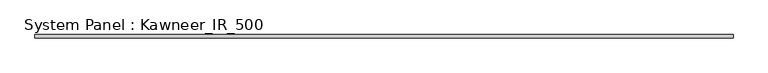
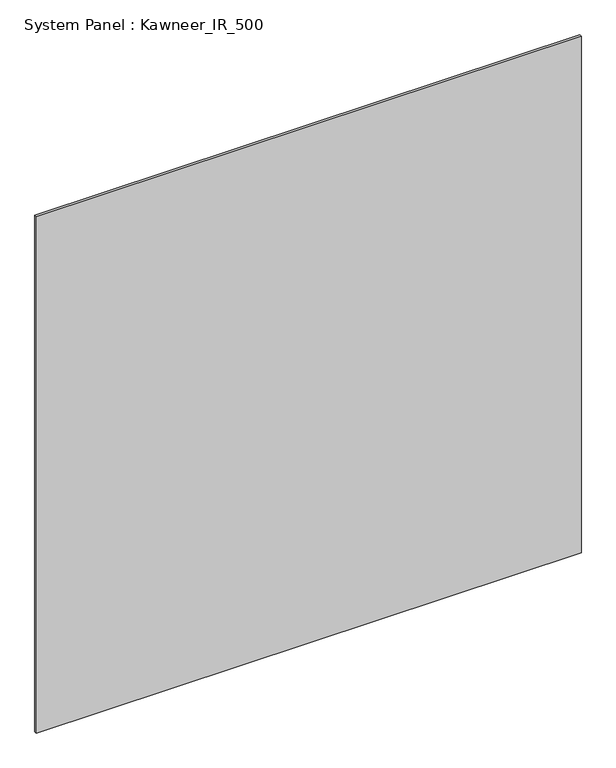
"""IFC4 building model written with IfcOpenShell, lengths in millimetres: plate geometry, System Panel : Kawneer_IR_500."""

import ifcopenshell
import ifcopenshell.guid

model = None  # the IFC model being written
_history = None  # IfcOwnerHistory: only IFC2X3 demands one
_inside = {}  # id of a spatial element -> (the spatial element, [elements in it])
_under = {}  # id of a project, library or spatial element -> (it, [spatial elements below it])
_declared = {}  # id of a project -> (the project, [libraries it declares])
_typed = {}  # id of a type object -> (the type object, [elements of that type])
_made_of = {}  # id of a material, layer set ... -> (it, [elements and type objects made of it])


def new_model(schema):
    """Start an empty IFC model of exactly this schema.

    Asked for "IFC4X3", IfcOpenShell would pick the latest addendum, in which some entities
    have other attributes; the version numbers below select the first issue.
    IFC2X3 requires an IfcOwnerHistory on every rooted entity: one is made here for all.
    """
    global model, _history
    if schema == "IFC4X3":
        model = ifcopenshell.file(schema_version=(4, 3, 0, 0))
    else:
        model = ifcopenshell.file(schema=schema)
    _inside.clear()
    _under.clear()
    _declared.clear()
    _typed.clear()
    _made_of.clear()
    _history = None
    if model.schema == "IFC2X3":
        org = make("IfcOrganization", Name="unknown")
        user = make(
            "IfcPersonAndOrganization",
            ThePerson=make("IfcPerson", FamilyName="unknown"),
            TheOrganization=org,
        )
        app = make(
            "IfcApplication",
            ApplicationDeveloper=org,
            Version="unknown",
            ApplicationFullName="unknown",
            ApplicationIdentifier="unknown",
        )
        _history = make(
            "IfcOwnerHistory",
            OwningUser=user,
            OwningApplication=app,
            ChangeAction="ADDED",
            CreationDate=0,
        )
    return model


def make(cls, **values):
    """One entity of the class cls with the attributes given. An attribute that is None is left unset."""
    return model.create_entity(
        cls, **{name: value for name, value in values.items() if value is not None}
    )


def rooted(cls, **values):
    """An entity with a GlobalId (a new one), such as an element, a storey or a relation."""
    return make(cls, GlobalId=ifcopenshell.guid.new(), OwnerHistory=_history, **values)


def si_unit(unit_type, name, prefix=None):
    """IfcSIUnit, for example si_unit("LENGTHUNIT", "METRE", prefix="MILLI")."""
    return make("IfcSIUnit", UnitType=unit_type, Prefix=prefix, Name=name)


def assignment(units):
    """IfcUnitAssignment: the units of a project."""
    return None if units is None else make("IfcUnitAssignment", Units=units)


def point(xyz):
    """IfcCartesianPoint."""
    return None if xyz is None else make("IfcCartesianPoint", Coordinates=xyz)


def direction(xyz):
    """IfcDirection."""
    return None if xyz is None else make("IfcDirection", DirectionRatios=xyz)


def frame(location, z_axis=None, x_axis=None):
    """IfcAxis2Placement3D, a coordinate frame: its origin and axes. An axis left out is left unset."""
    return make(
        "IfcAxis2Placement3D",
        Location=point(location),
        Axis=direction(z_axis),
        RefDirection=direction(x_axis),
    )


def origin():
    """The frame at (0, 0, 0) with its axes left unset."""
    return frame((0.0, 0.0, 0.0))


def origin_with_axes():
    """The frame at (0, 0, 0) with the z axis (0, 0, 1) and the x axis (1, 0, 0) written out."""
    return frame((0.0, 0.0, 0.0), z_axis=(0.0, 0.0, 1.0), x_axis=(1.0, 0.0, 0.0))


def place(relative_to, where):
    """IfcLocalPlacement: puts the frame where relative to a parent placement (None: the world)."""
    return make(
        "IfcLocalPlacement", PlacementRelTo=relative_to, RelativePlacement=where
    )


def context(
    kind, dimensions, precision=None, world=None, true_north=None, identifier=None
):
    """IfcGeometricRepresentationContext, for example the 3D "Model" context."""
    return make(
        "IfcGeometricRepresentationContext",
        ContextIdentifier=identifier,
        ContextType=kind,
        CoordinateSpaceDimension=dimensions,
        Precision=precision,
        WorldCoordinateSystem=world,
        TrueNorth=true_north,
    )


def project(units=None, contexts=None):
    """IfcProject with its units and contexts."""
    return rooted(
        "IfcProject",
        Name="project",
        RepresentationContexts=contexts,
        UnitsInContext=assignment(units),
    )


def spatial(cls, under=None, at=None, **own):
    """A site, building, storey or space (cls), placed at a placement, below another one or the project."""
    s = rooted(cls, ObjectPlacement=at, **own)
    if under is not None:
        _under.setdefault(under.id(), (under, []))[1].append(s)
    return s


def polyline(points):
    """IfcPolyline through the points."""
    return make("IfcPolyline", Points=[point(p) for p in points])


def outline(outer, holes=None, kind="AREA"):
    """IfcArbitraryClosedProfileDef: a profile drawn as a closed curve; with holes, ...WithVoids."""
    if holes is None:
        return make("IfcArbitraryClosedProfileDef", ProfileType=kind, OuterCurve=outer)
    return make(
        "IfcArbitraryProfileDefWithVoids",
        ProfileType=kind,
        OuterCurve=outer,
        InnerCurves=holes,
    )


def extrude(swept, where, along, depth):
    """IfcExtrudedAreaSolid: the profile swept, set in the frame where, extruded along a direction by depth."""
    return make(
        "IfcExtrudedAreaSolid",
        SweptArea=swept,
        Position=where,
        ExtrudedDirection=direction(along),
        Depth=depth,
    )


def shape(context_of_items, identifier, shape_type, items):
    """IfcShapeRepresentation: the items that make up one representation, for example the "Body"."""
    return make(
        "IfcShapeRepresentation",
        ContextOfItems=context_of_items,
        RepresentationIdentifier=identifier,
        RepresentationType=shape_type,
        Items=items,
    )


def source(mapping_origin, context_of_items, identifier, shape_type, items):
    """IfcRepresentationMap: a shape defined once, which mapped items show again and again."""
    return make(
        "IfcRepresentationMap",
        MappingOrigin=mapping_origin,
        MappedRepresentation=shape(context_of_items, identifier, shape_type, items),
    )


def transform(
    local_origin,
    x_axis=None,
    y_axis=None,
    z_axis=None,
    scale=None,
    scale2=None,
    scale3=None,
    uniform=True,
):
    """IfcCartesianTransformationOperator3D, or its non-uniform kind. x_axis, y_axis, z_axis: its Axis1, 2, 3."""
    if uniform:
        return make(
            "IfcCartesianTransformationOperator3D",
            Axis1=direction(x_axis),
            Axis2=direction(y_axis),
            LocalOrigin=point(local_origin),
            Scale=scale,
            Axis3=direction(z_axis),
        )
    return make(
        "IfcCartesianTransformationOperator3DnonUniform",
        Axis1=direction(x_axis),
        Axis2=direction(y_axis),
        LocalOrigin=point(local_origin),
        Scale=scale,
        Axis3=direction(z_axis),
        Scale2=scale2,
        Scale3=scale3,
    )


def mapped(mapping_source, mapping_target):
    """IfcMappedItem: shows the shape of a source again, moved by a transform."""
    return make(
        "IfcMappedItem", MappingSource=mapping_source, MappingTarget=mapping_target
    )


def made_of(thing, what):
    """Note that an element or type object is made of a material, layer set ...; save() writes the relation."""
    if what is not None:
        _made_of.setdefault(what.id(), (what, []))[1].append(thing)
    return thing


def element(
    cls,
    number,
    at=None,
    inside=None,
    cuts=None,
    type_object=None,
    material=None,
    context=None,
    identifier="Body",
    shape_type=None,
    held_by="IfcProductDefinitionShape",
    body=None,
    shapes=None,
    **own,
):
    """One element of the class cls, such as IfcWall. Its Tag is "e" and its number.

    at: its placement. inside: the storey or other place that contains it. cuts: it is an
    opening in that element (IfcRelVoidsElement). A single representation is given by context,
    identifier, shape_type and body (its items); several are given by shapes. held_by: the class
    of the entity that holds the representations. save() writes the other relations.
    """
    e = rooted(cls, Tag="e%d" % number, ObjectPlacement=at, **own)
    if body is not None:
        shapes = [shape(context, identifier, shape_type, body)]
    if shapes is not None:
        e.Representation = make(held_by, Representations=shapes)
    if inside is not None:
        _inside.setdefault(inside.id(), (inside, []))[1].append(e)
    if cuts is not None:
        rooted(
            "IfcRelVoidsElement", RelatingBuildingElement=cuts, RelatedOpeningElement=e
        )
    if type_object is not None:
        _typed.setdefault(type_object.id(), (type_object, []))[1].append(e)
    return made_of(e, material)


def aggregate(whole, parts):
    """IfcRelAggregates: a whole, such as a stair, and the parts it consists of."""
    return rooted("IfcRelAggregates", RelatingObject=whole, RelatedObjects=parts)


def save(model, path):
    """Write the relations noted so far, then the file.

    IfcRelAggregates (storeys below a building ...), IfcRelContainedInSpatialStructure (elements
    in a storey), IfcRelDefinesByType, IfcRelAssociatesMaterial and IfcRelDeclares: one each for
    every whole, place, type object, material and project.
    """
    for whole, parts in _under.values():
        aggregate(whole, parts)
    for where, things in _inside.values():
        rooted(
            "IfcRelContainedInSpatialStructure",
            RelatedElements=things,
            RelatingStructure=where,
        )
    for kind, things in _typed.values():
        rooted("IfcRelDefinesByType", RelatedObjects=things, RelatingType=kind)
    for what, things in _made_of.values():
        rooted("IfcRelAssociatesMaterial", RelatedObjects=things, RelatingMaterial=what)
    for by, libraries in _declared.values():
        rooted("IfcRelDeclares", RelatingContext=by, RelatedDefinitions=libraries)
    model.write(path)


def system_panel_kawneer_ir_500_17a1cee9(model_context):
    return source(origin(), model_context, "Body", "SweptSolid", [
        extrude(outline(polyline([(714.2848003, -7.7), (-714.2848003, -7.7), (-714.2848003, -1.3), (714.2848003, -1.3), (714.2848003, -7.7)])), origin_with_axes(), (0.0, 0.0, 1.0), 1429.8806752),
    ])


if __name__ == "__main__":
    model = new_model("IFC4")
    model_context = context("Model", 3, world=origin())
    ifc_project = project(units=[si_unit("LENGTHUNIT", "METRE", prefix="MILLI")], contexts=[model_context])
    site = spatial("IfcSite", under=ifc_project)
    building = spatial("IfcBuilding", under=site)
    placement = place(None, origin())
    system_panel_kawneer_ir_500_shape = system_panel_kawneer_ir_500_17a1cee9(model_context)
    element("IfcPlate", 1, ObjectType="System Panel : Kawneer_IR_500", at=placement, inside=building, context=model_context, shape_type="MappedRepresentation", body=[
        mapped(system_panel_kawneer_ir_500_shape, transform((0.0, 0.0, 0.0), x_axis=(1.0, 0.0, 0.0), y_axis=(0.0, 1.0, 0.0), z_axis=(0.0, 0.0, 1.0))),
    ])
    save(model, "model.ifc")
